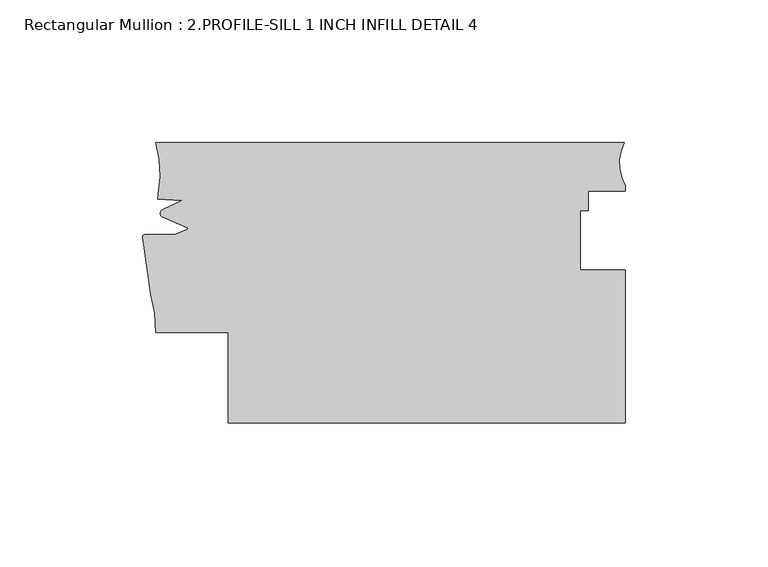
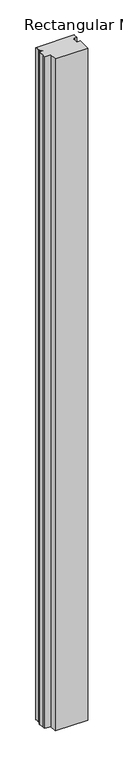
"""IFC4 building model written with IfcOpenShell, lengths in millimetres: member geometry, Rectangular Mullion : 2.PROFILE-SILL 1 INCH INFILL DETAIL 4."""

from ifc_helpers import new_model, si_unit, frame, origin, place, context, project, spatial, polyline, circle_curve, source, transform, mapped, element, save
from ifc_brep_helpers import plane_surface, cylinder_surface, revolved_surface, advanced_brep


def rectangular_mullion_2_profile_sill_1_inch_infill_detail_4_1ee15119(model_context):
    return source(origin(), model_context, "Body", "AdvancedBrep", [
        advanced_brep(
        [(-139.192, -26.8075248, 0.0), (0.0, -26.8075248, 0.0), (0.0, 26.8075248, 0.0), (-15.8984045, 26.8075248, 0.0), (-15.8984045, 47.7541741, 0.0), (-13.0437992, 47.7541741, 0.0), (-13.0437992, 54.6121738, 0.0), (0.0, 54.6121738, 0.0), (0.0, 56.4493856, 0.0), (-0.381, 71.6174752, 0.0), (-164.592, 71.6174752, 0.0), (-163.8352621, 53.5839766, 0.0), (-163.9459282, 51.7962891, 0.0), (-155.5466089, 51.2307464, 0.0), (-162.2406564, 48.0581604, 0.0), (-162.2406564, 45.4812613, 0.0), (-153.8240889, 41.80991, 0.0), (-153.8240889, 41.0615118, 0.0), (-158.0151742, 39.2333381, 0.0), (-168.5054594, 39.2333381, 0.0), (-169.2489629, 38.3044652, 0.0), (-166.4079632, 18.3250474, 0.0), (-164.592, 4.9423619, 0.0), (-139.1926464, 4.9423619, 0.0), (-139.192, -26.8075248, -3048.0), (-139.1926464, 4.9423619, -3048.0), (-164.592, 4.9423619, -3048.0), (-166.4079632, 18.3250474, -3048.0), (-169.2487771, 38.3036395, -3048.0), (-168.5054594, 39.2333381, -3048.0), (-158.0151742, 39.2333381, -3048.0), (-153.8240889, 41.0615118, -3048.0), (-153.8240889, 41.80991, -3048.0), (-162.2406564, 45.4812613, -3048.0), (-162.2406564, 48.0581604, -3048.0), (-155.5466089, 51.2307464, -3048.0), (-163.9459282, 51.7962891, -3048.0), (-163.8352621, 53.5839766, -3048.0), (-164.592, 71.6174752, -3048.0), (-0.381, 71.6174752, -3048.0), (0.0, 56.4493856, -3048.0), (0.0, 54.6121738, -3048.0), (-13.0437992, 54.6121738, -3048.0), (-13.0437992, 47.7541741, -3048.0), (-15.8984045, 47.7541741, -3048.0), (-15.8984045, 26.8075248, -3048.0), (0.0, 26.8075248, -3048.0), (0.0, -26.8075248, -3048.0)],
        [
            (0, 1),
            (1, 2),
            (2, 3),
            (3, 4),
            (4, 5),
            (5, 6),
            (6, 7),
            (7, 8),
            (8, 9, circle_curve(frame((13.7989391, 64.3848244, 0.0), z_axis=(0.0, 0.0, -1.0), x_axis=(1.0, 0.0, 0.0)), 15.9179744)),
            (9, 10),
            (10, 11, circle_curve(frame((-202.5728025, 60.9910639, 0.0), z_axis=(0.0, 0.0, -1.0), x_axis=(1.0, 0.0, 0.0)), 39.4393455)),
            (11, 12),
            (12, 13),
            (13, 14),
            (14, 15, circle_curve(frame((-161.7007428, 46.7697109, 0.0), z_axis=(0.0, 0.0, 1.0), x_axis=(-0.3864807934662263, -0.922297455424071, 0.0)), 1.397)),
            (15, 16),
            (16, 17, circle_curve(frame((-153.7524228, 41.4357109, 0.0), z_axis=(0.0, 0.0, -1.0), x_axis=(-0.18809993002544373, -0.9821498950386459, 0.0)), 0.381)),
            (17, 18),
            (18, 19),
            (19, 20, circle_curve(frame((-168.5054594, 38.4713381, 0.0), z_axis=(0.0, 0.0, 1.0), x_axis=(0.0, 1.0, 0.0)), 0.762)),
            (20, 21, circle_curve(frame((-293.167727, 10.4919771, 0.0), z_axis=(0.0, 0.0, -1.0), x_axis=(0.9757278240361872, 0.21898678818962453, 0.0)), 127.0015539)),
            (21, 22, circle_curve(frame((-208.5757855, 5.7885344, 0.0), z_axis=(0.0, 0.0, -1.0), x_axis=(1.0, 0.0, 0.0)), 43.9919242)),
            (22, 23),
            (23, 0),
            (24, 25),
            (25, 26),
            (26, 27, circle_curve(frame((-208.5757855, 5.7885344, -3048.0), z_axis=(0.0, 0.0, 1.0), x_axis=(1.0, 0.0, 0.0)), 43.9919242)),
            (27, 28, circle_curve(frame((-293.167727, 10.4919771, -3048.0), z_axis=(0.0, 0.0, 1.0), x_axis=(0.9757278240361872, 0.21898678818962453, 0.0)), 127.0015539)),
            (28, 29, circle_curve(frame((-168.5054594, 38.4713381, -3048.0), z_axis=(0.0, 0.0, -1.0), x_axis=(0.0, 1.0, 0.0)), 0.762)),
            (29, 30),
            (30, 31),
            (31, 32, circle_curve(frame((-153.7524228, 41.4357109, -3048.0), z_axis=(0.0, 0.0, 1.0), x_axis=(-0.18809993002544373, -0.9821498950386459, 0.0)), 0.381)),
            (32, 33),
            (33, 34, circle_curve(frame((-161.7007428, 46.7697109, -3048.0), z_axis=(0.0, 0.0, -1.0), x_axis=(-0.3864807934662263, -0.922297455424071, 0.0)), 1.397)),
            (34, 35),
            (35, 36),
            (36, 37),
            (37, 38, circle_curve(frame((-202.5728025, 60.9910639, -3048.0), z_axis=(0.0, 0.0, 1.0), x_axis=(1.0, 0.0, 0.0)), 39.4393455)),
            (38, 39),
            (39, 40, circle_curve(frame((13.7989391, 64.3848244, -3048.0), z_axis=(0.0, 0.0, 1.0), x_axis=(1.0, 0.0, 0.0)), 15.9179744)),
            (40, 41),
            (41, 42),
            (42, 43),
            (43, 44),
            (44, 45),
            (45, 46),
            (46, 47),
            (47, 24),
            (0, 24),
            (47, 1),
            (46, 2),
            (45, 3),
            (44, 4),
            (43, 5),
            (42, 6),
            (41, 7),
            (40, 8),
            (39, 9),
            (38, 10),
            (37, 11),
            (36, 12),
            (35, 13),
            (34, 14),
            (33, 15),
            (32, 16),
            (31, 17),
            (30, 18),
            (29, 19),
            (28, 20),
            (27, 21),
            (26, 22),
            (25, 23),
        ],
        [
            plane_surface(frame((0.0, -179.4981594, 0.0), z_axis=(0.0, 0.0, 1.0), x_axis=(-1.0, 0.0, 0.0))),
            plane_surface(frame((0.0, -179.4981594, -3048.0), z_axis=(0.0, 0.0, -1.0), x_axis=(-1.0, 0.0, 0.0))),
            plane_surface(frame((-139.192, -26.8075248, 0.0), z_axis=(0.0, -1.0, 0.0), x_axis=(0.0, 0.0, -1.0))),
            plane_surface(frame((0.0, -26.8075248, 0.0), z_axis=(1.0, 0.0, 0.0), x_axis=(0.0, 0.0, -1.0))),
            plane_surface(frame((0.0, 26.8075248, 0.0), z_axis=(0.0, 1.0, 0.0), x_axis=(0.0, 0.0, -1.0))),
            plane_surface(frame((-15.8984045, 26.8075248, 0.0), z_axis=(1.0, 0.0, 0.0), x_axis=(0.0, 0.0, -1.0))),
            plane_surface(frame((-15.8984045, 47.7541741, 0.0), z_axis=(0.0, -1.0, 0.0), x_axis=(0.0, 0.0, -1.0))),
            plane_surface(frame((-13.0437992, 47.7541741, 0.0), z_axis=(1.0, 0.0, 0.0), x_axis=(0.0, 0.0, -1.0))),
            plane_surface(frame((-13.0437992, 54.6121738, 0.0), z_axis=(0.0, -1.0, 0.0), x_axis=(0.0, 0.0, -1.0))),
            plane_surface(frame((0.0, 54.6121738, 0.0), z_axis=(1.0, 0.0, 0.0), x_axis=(0.0, 0.0, -1.0))),
            revolved_surface(polyline([(29.7169135, 64.3848244, -3048.0), (29.7169135, 64.3848244, 0.0)]), (13.7989391, 64.3848244, 0.0), (0.0, 0.0, -1.0)),
            plane_surface(frame((-0.381, 71.6174752, 0.0), z_axis=(0.0, 1.0, 0.0), x_axis=(0.0, 0.0, -1.0))),
            revolved_surface(polyline([(-163.133457, 60.9910639, -3048.0), (-163.133457, 60.9910639, 0.0)]), (-202.5728025, 60.9910639, 0.0), (0.0, 0.0, -1.0)),
            plane_surface(frame((-163.8352621, 53.5839766, 0.0), z_axis=(-0.998089399662861, 0.06178632761889792, 0.0), x_axis=(0.0, 0.0, -1.0))),
            plane_surface(frame((-163.9459282, 51.7962891, 0.0), z_axis=(-0.06717985631159376, -0.9977408816451061, 0.0), x_axis=(0.0, 0.0, -1.0))),
            plane_surface(frame((-155.5466089, 51.2307464, 0.0), z_axis=(-0.4282761223710586, 0.9036479198265275, 0.0), x_axis=(0.0, 0.0, -1.0))),
            cylinder_surface(frame((-161.7007428, 46.7697109, 0.0), z_axis=(0.0, 0.0, 1.0000000000000002), x_axis=(-0.3864807934662263, -0.922297455424071, 0.0)), 1.397),
            plane_surface(frame((-162.2406564, 45.4812613, 0.0), z_axis=(-0.3998225337641196, -0.9165925711538576, 0.0), x_axis=(0.0, 0.0, -1.0))),
            revolved_surface(polyline([(-153.8240888733397, 41.06151178999027, -3048.0), (-153.8240888733397, 41.06151178999027, 0.0)]), (-153.7524228, 41.4357109, 0.0), (0.0, 0.0, -1.0)),
            plane_surface(frame((-153.8240889, 41.0615118, 0.0), z_axis=(-0.3998225337640889, 0.9165925711538709, 0.0), x_axis=(0.0, 0.0, -1.0))),
            plane_surface(frame((-158.0151742, 39.2333381, 0.0), z_axis=(0.0, 1.0, 0.0), x_axis=(0.0, 0.0, -1.0))),
            cylinder_surface(frame((-168.5054594, 38.4713381, 0.0), z_axis=(0.0, 0.0, 1.0), x_axis=(0.0, 1.0, 0.0)), 0.762),
            revolved_surface(polyline([(-169.24877716393848, 38.30363948365248, -3048.000000000001), (-169.24877716393848, 38.30363948365248, 0.0)]), (-293.167727, 10.4919771, 0.0), (0.0, 0.0, -1.0000000000000002)),
            revolved_surface(polyline([(-164.5838613, 5.7885344, -3048.0), (-164.5838613, 5.7885344, 0.0)]), (-208.5757855, 5.7885344, 0.0), (0.0, 0.0, -1.0)),
            plane_surface(frame((-164.592, 4.9423619, 0.0), z_axis=(0.0, -1.0, 0.0), x_axis=(0.0, 0.0, -1.0))),
            plane_surface(frame((-139.1926464, 4.9423619, 0.0), z_axis=(-0.9999999997927215, -2.0360673597774084e-05, 0.0), x_axis=(0.0, 0.0, -1.0))),
        ],
        [
            (0, [[1, 2, 3, 4, 5, 6, 7, 8, 9, 10, 11, 12, 13, 14, 15, 16, 17, 18, 19, 20, 21, 22, 23, 24]]),
            (1, [[25, 26, 27, 28, 29, 30, 31, 32, 33, 34, 35, 36, 37, 38, 39, 40, 41, 42, 43, 44, 45, 46, 47, 48]]),
            (2, [[-1, 49, -48, 50]]),
            (3, [[-2, -50, -47, 51]]),
            (4, [[-3, -51, -46, 52]]),
            (5, [[-4, -52, -45, 53]]),
            (6, [[-5, -53, -44, 54]]),
            (7, [[-6, -54, -43, 55]]),
            (8, [[-7, -55, -42, 56]]),
            (9, [[-8, -56, -41, 57]]),
            (10, [[-9, -57, -40, 58]]),
            (11, [[-10, -58, -39, 59]]),
            (12, [[-11, -59, -38, 60]]),
            (13, [[-12, -60, -37, 61]]),
            (14, [[-13, -61, -36, 62]]),
            (15, [[-14, -62, -35, 63]]),
            (16, [[-15, -63, -34, 64]]),
            (17, [[-16, -64, -33, 65]]),
            (18, [[-17, -65, -32, 66]]),
            (19, [[-18, -66, -31, 67]]),
            (20, [[-19, -67, -30, 68]]),
            (21, [[-20, -68, -29, 69]]),
            (22, [[-21, -69, -28, 70]]),
            (23, [[-22, -70, -27, 71]]),
            (24, [[-23, -71, -26, 72]]),
            (25, [[-24, -72, -25, -49]]),
        ],
    ),
    ])


if __name__ == "__main__":
    model = new_model("IFC4")
    model_context = context("Model", 3, world=origin())
    ifc_project = project(units=[si_unit("LENGTHUNIT", "METRE", prefix="MILLI")], contexts=[model_context])
    site = spatial("IfcSite", under=ifc_project)
    building = spatial("IfcBuilding", under=site)
    placement = place(None, origin())
    rectangular_mullion_2_profile_sill_1_inch_infill_detail_4_shape = rectangular_mullion_2_profile_sill_1_inch_infill_detail_4_1ee15119(model_context)
    element("IfcMember", 1, ObjectType="Rectangular Mullion : 2.PROFILE-SILL 1 INCH INFILL DETAIL 4", at=placement, inside=building, context=model_context, shape_type="MappedRepresentation", body=[
        mapped(rectangular_mullion_2_profile_sill_1_inch_infill_detail_4_shape, transform((0.0, 0.0, 0.0), x_axis=(1.0, 0.0, 0.0), y_axis=(0.0, 1.0, 0.0), z_axis=(0.0, 0.0, 1.0))),
    ])
    save(model, "model.ifc")
